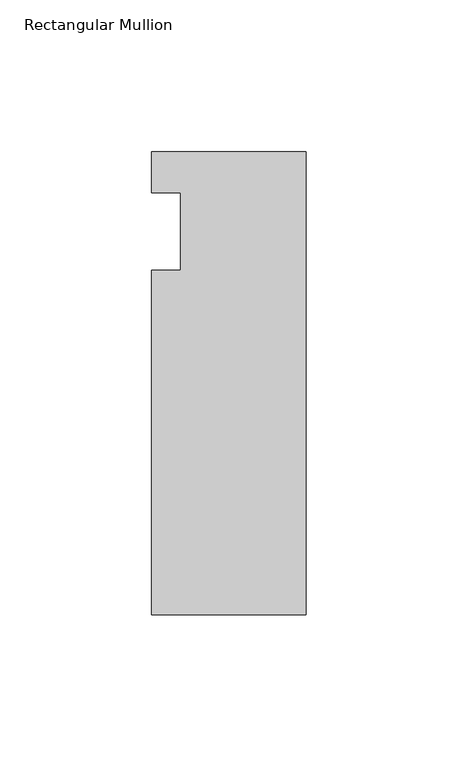
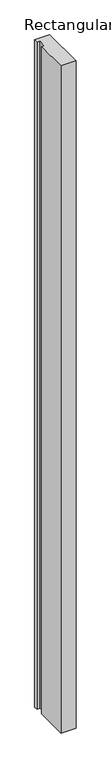
"""IFC4 building model written with IfcOpenShell, lengths in millimetres: member geometry, Rectangular Mullion."""

from ifc_helpers import new_model, si_unit, frame, origin, place, context, project, spatial, polyline, outline, extrude, source, transform, mapped, element, save


def rectangular_mullion_b6e89e02(model_context):
    return source(origin(), model_context, "Body", "SweptSolid", [
        extrude(outline(polyline([(-50.8, 26.19375), (0.0, 26.19375), (0.0, -126.20625), (-50.8, -126.20625), (-50.8, -12.7), (-41.275, -12.7), (-41.275, 12.7), (-50.8, 12.7), (-50.8, 26.19375)])), frame((0.0, 0.0, -2374.9), z_axis=(0.0, 0.0, 1.0), x_axis=(1.0, 0.0, 0.0)), (0.0, 0.0, 1.0), 2374.9),
    ])


if __name__ == "__main__":
    model = new_model("IFC4")
    model_context = context("Model", 3, world=origin())
    ifc_project = project(units=[si_unit("LENGTHUNIT", "METRE", prefix="MILLI")], contexts=[model_context])
    site = spatial("IfcSite", under=ifc_project)
    building = spatial("IfcBuilding", under=site)
    placement = place(None, origin())
    rectangular_mullion_shape = rectangular_mullion_b6e89e02(model_context)
    element("IfcMember", 1, ObjectType="Rectangular Mullion", at=placement, inside=building, context=model_context, shape_type="MappedRepresentation", body=[
        mapped(rectangular_mullion_shape, transform((0.0, 0.0, 0.0), x_axis=(1.0, 0.0, 0.0), y_axis=(0.0, 1.0, 0.0), z_axis=(0.0, 0.0, 1.0))),
    ])
    save(model, "model.ifc")
